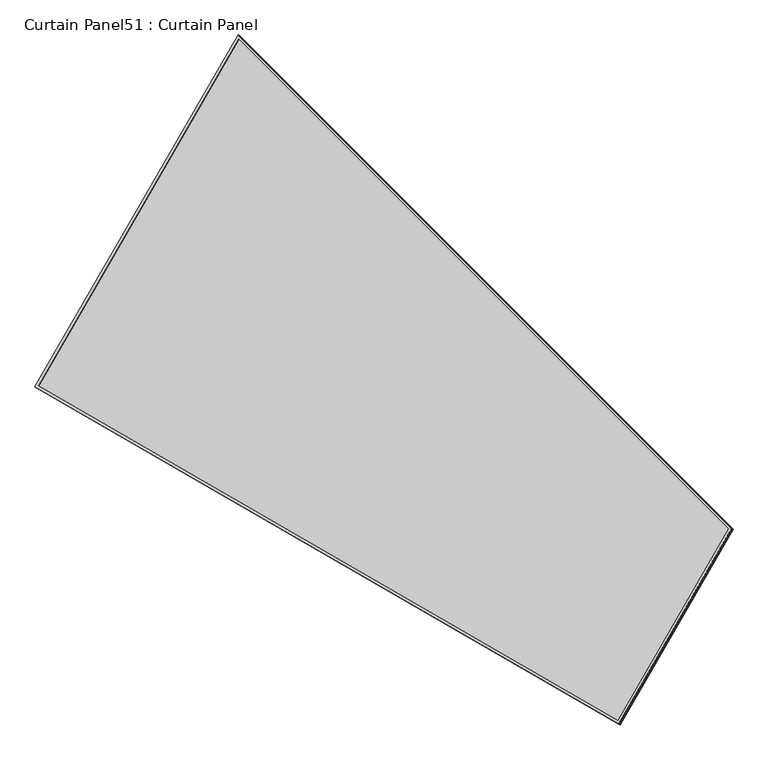
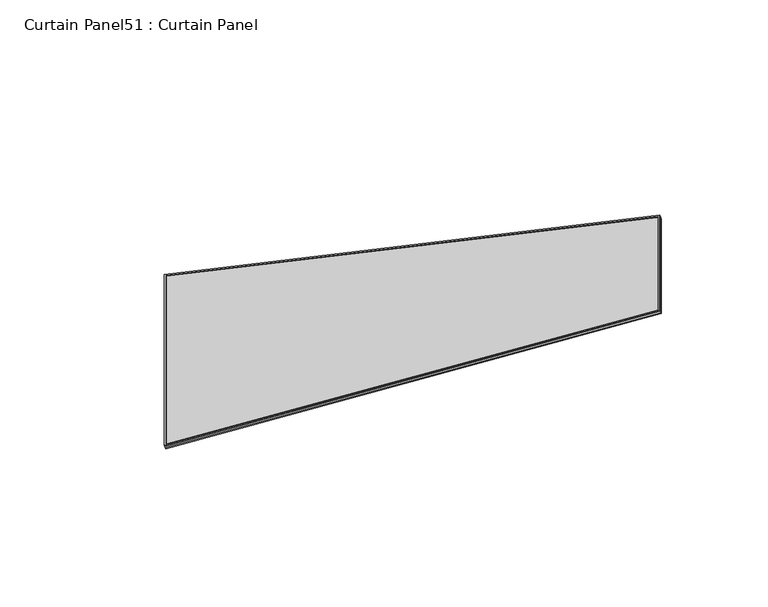
"""IFC4 building model written with IfcOpenShell, lengths in millimetres: plate geometry, Curtain Panel51 : Curtain Panel."""

from ifc_helpers import new_model, si_unit, frame, origin, place, context, project, spatial, polyline, outline, extrude, source, transform, mapped, element, save


def curtain_panel51_curtain_panel_e43c6701(model_context):
    return source(origin(), model_context, "Body", "SweptSolid", [
        extrude(outline(polyline([(903.3982323, -2842.2889639), (0.0, -2842.288964), (0.0, 0.0), (1625.9258265, 0.0), (903.3982323, -2842.2889639)]), holes=[polyline([(1611.6350306, -11.1125), (11.1125, -11.1125), (11.1125, -2831.176464), (894.7571701, -2831.1764639), (1611.6350306, -11.1125)])]), frame((4600.1292469, 6782.0392452, -9.1331163), z_axis=(-0.27379031486167926, 0.1580729119869076, 0.9487106081329133), x_axis=(0.5000000000000162, 0.8660254037844294, 0.0)), (0.0, 0.0, 1.0), 4.8172542),
        extrude(outline(polyline([(903.3982323, -2842.2889639), (0.0, -2842.288964), (0.0, 0.0), (1625.9258265, 1e-07), (903.3982323, -2842.2889639)]), holes=[polyline([(1611.6350307, -11.1125), (11.1125, -11.1125), (11.1125, -2831.176464), (894.7571701, -2831.1764639), (1611.6350307, -11.1125)])]), frame((4604.9620729, 6779.2490118, -25.8793379), z_axis=(-0.2737903148616741, 0.15807291198690454, 0.9487106081329151), x_axis=(0.5000000000000161, 0.8660254037844294, 0.0)), (0.0, 0.0, 1.0), 4.7754691),
        extrude(outline(polyline([(12.7, 0.0), (1638.6258266, 0.0), (916.0982323, -2842.2889639), (12.7, -2842.288964), (12.7, 0.0)])), frame((4597.3045957, 6769.0053615, -21.3487997), z_axis=(-0.2737903148616768, 0.1580729119869062, 0.9487106081329141), x_axis=(0.5000000000000109, 0.8660254037844325, 0.0)), (0.0, 0.0, 1.0), 12.8760902),
    ])


if __name__ == "__main__":
    model = new_model("IFC4")
    model_context = context("Model", 3, world=origin())
    ifc_project = project(units=[si_unit("LENGTHUNIT", "METRE", prefix="MILLI")], contexts=[model_context])
    site = spatial("IfcSite", under=ifc_project)
    building = spatial("IfcBuilding", under=site)
    placement = place(None, origin())
    curtain_panel51_curtain_panel_shape = curtain_panel51_curtain_panel_e43c6701(model_context)
    element("IfcPlate", 1, ObjectType="Curtain Panel51 : Curtain Panel", at=placement, inside=building, context=model_context, shape_type="MappedRepresentation", body=[
        mapped(curtain_panel51_curtain_panel_shape, transform((0.0, 0.0, 0.0), x_axis=(1.0, 0.0, 0.0), y_axis=(0.0, 1.0, 0.0), z_axis=(0.0, 0.0, 1.0))),
    ])
    save(model, "model.ifc")
